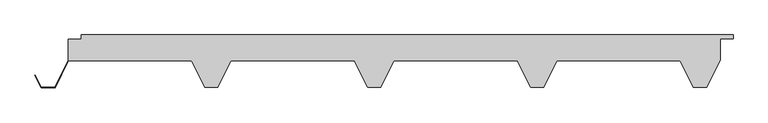
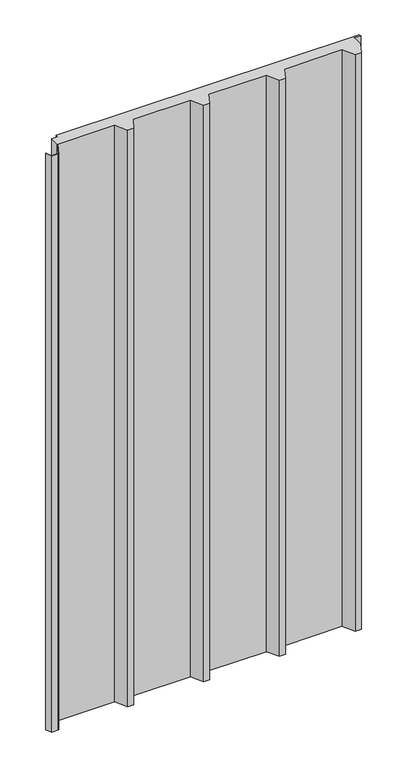
"""IFC4 building model written with IfcOpenShell, lengths in millimetres: plate geometry."""

from ifc_helpers import new_model, si_unit, origin, origin_with_axes, place, context, project, spatial, polyline, outline, extrude, source, transform, mapped, element, save


def plate_9c87e895(model_context):
    return source(origin(), model_context, "Body", "SweptSolid", [
        extrude(outline(polyline([(479.2444272, -80.0), (459.2444272, -80.0), (439.2444272, -40.0), (249.2444272, -40.0), (229.2444272, -80.0), (209.2444272, -80.0), (189.2444272, -40.0), (-0.7555728, -40.0), (-20.7555728, -80.0), (-40.7555728, -80.0), (-60.7555728, -40.0), (-250.7555728, -40.0), (-270.7555728, -80.0), (-290.7555728, -80.0), (-310.7555728, -40.0), (-499.5055728, -40.0), (-520.0055728, -81.0), (-541.5055728, -81.0), (-550.9818107, -62.0475242), (-550.266269, -61.6897533), (-541.0111456, -80.2), (-520.5, -80.2), (-500.0, -39.2), (-500.0, -6.496736), (-480.0, -6.496736), (-480.0, 0.0), (520.0, 0.0), (520.0, -6.0), (500.0, -6.0), (500.0, -38.4888544), (479.2444272, -80.0)])), origin_with_axes(), (0.0, 0.0, 1.0), 2007.6396751),
    ])


if __name__ == "__main__":
    model = new_model("IFC4")
    model_context = context("Model", 3, world=origin())
    ifc_project = project(units=[si_unit("LENGTHUNIT", "METRE", prefix="MILLI")], contexts=[model_context])
    site = spatial("IfcSite", under=ifc_project)
    building = spatial("IfcBuilding", under=site)
    placement = place(None, origin())
    plate_shape = plate_9c87e895(model_context)
    element("IfcPlate", 1, at=placement, inside=building, context=model_context, shape_type="MappedRepresentation", body=[
        mapped(plate_shape, transform((0.0, 0.0, 0.0), x_axis=(1.0, 0.0, 0.0), y_axis=(0.0, 1.0, 0.0), z_axis=(0.0, 0.0, 1.0))),
    ])
    save(model, "model.ifc")
